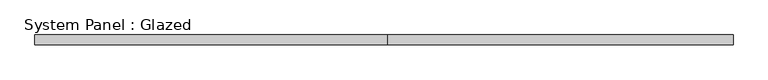
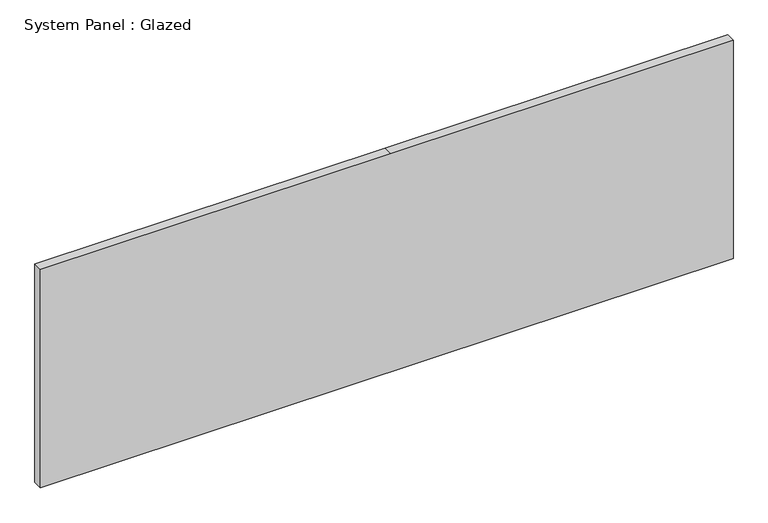
"""IFC4 building model written with IfcOpenShell, lengths in millimetres: plate geometry, System Panel : Glazed."""

from ifc_helpers import new_model, si_unit, frame, origin, place, context, project, spatial, polyline, outline, extrude, source, transform, mapped, element, save


def system_panel_glazed_7efbf518(model_context):
    return source(origin(), model_context, "Body", "SweptSolid", [
        extrude(outline(polyline([(0.0, -914.4), (0.0, 914.4), (609.6, 914.4), (609.6, 10.4496777), (609.6, -914.4), (0.0, -914.4)])), frame((0.0, 19.05, 0.0), z_axis=(0.0, 1.0, 0.0), x_axis=(0.0, 0.0, 1.0)), (0.0, 0.0, 1.0), 25.4),
    ])


if __name__ == "__main__":
    model = new_model("IFC4")
    model_context = context("Model", 3, world=origin())
    ifc_project = project(units=[si_unit("LENGTHUNIT", "METRE", prefix="MILLI")], contexts=[model_context])
    site = spatial("IfcSite", under=ifc_project)
    building = spatial("IfcBuilding", under=site)
    placement = place(None, origin())
    system_panel_glazed_shape = system_panel_glazed_7efbf518(model_context)
    element("IfcPlate", 1, ObjectType="System Panel : Glazed", at=placement, inside=building, context=model_context, shape_type="MappedRepresentation", body=[
        mapped(system_panel_glazed_shape, transform((0.0, 0.0, 0.0), x_axis=(1.0, 0.0, 0.0), y_axis=(0.0, 1.0, 0.0), z_axis=(0.0, 0.0, 1.0))),
    ])
    save(model, "model.ifc")
